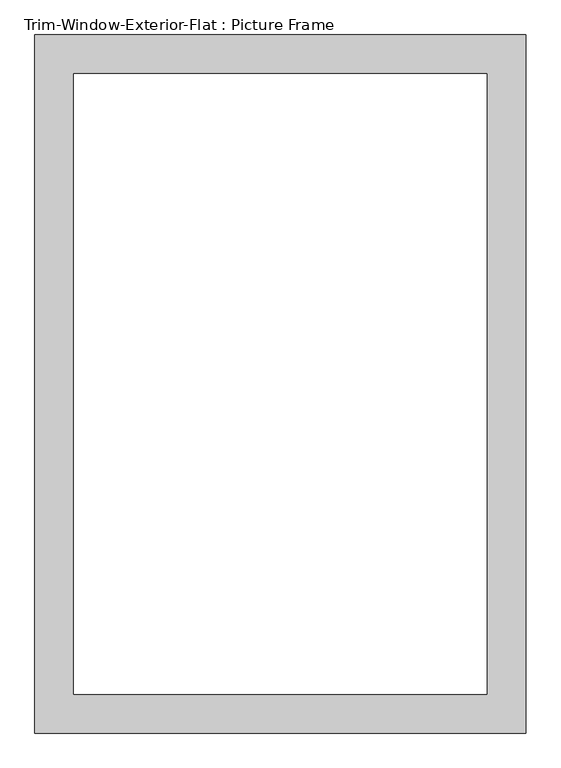
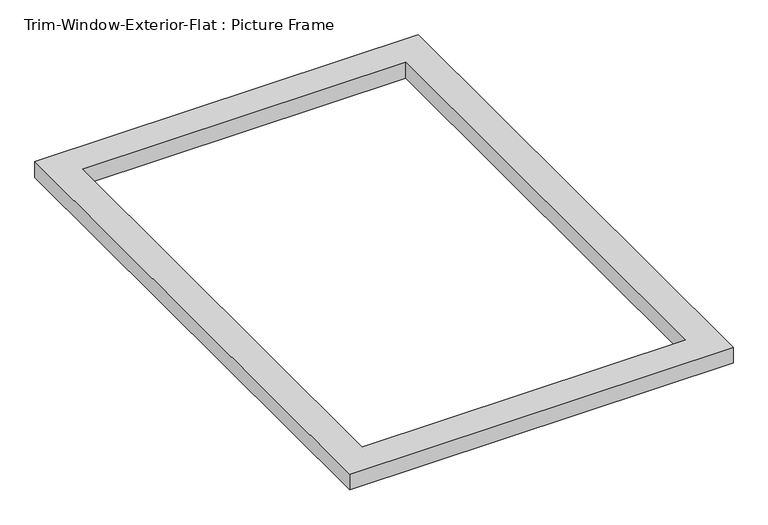
"""IFC4 building model written with IfcOpenShell, lengths in millimetres: proxy geometry, Trim-Window-Exterior-Flat : Picture Frame."""

import ifcopenshell
import ifcopenshell.guid

model = None  # the IFC model being written
_history = None  # IfcOwnerHistory: only IFC2X3 demands one
_inside = {}  # id of a spatial element -> (the spatial element, [elements in it])
_under = {}  # id of a project, library or spatial element -> (it, [spatial elements below it])
_declared = {}  # id of a project -> (the project, [libraries it declares])
_typed = {}  # id of a type object -> (the type object, [elements of that type])
_made_of = {}  # id of a material, layer set ... -> (it, [elements and type objects made of it])


def new_model(schema):
    """Start an empty IFC model of exactly this schema.

    Asked for "IFC4X3", IfcOpenShell would pick the latest addendum, in which some entities
    have other attributes; the version numbers below select the first issue.
    IFC2X3 requires an IfcOwnerHistory on every rooted entity: one is made here for all.
    """
    global model, _history
    if schema == "IFC4X3":
        model = ifcopenshell.file(schema_version=(4, 3, 0, 0))
    else:
        model = ifcopenshell.file(schema=schema)
    _inside.clear()
    _under.clear()
    _declared.clear()
    _typed.clear()
    _made_of.clear()
    _history = None
    if model.schema == "IFC2X3":
        org = make("IfcOrganization", Name="unknown")
        user = make(
            "IfcPersonAndOrganization",
            ThePerson=make("IfcPerson", FamilyName="unknown"),
            TheOrganization=org,
        )
        app = make(
            "IfcApplication",
            ApplicationDeveloper=org,
            Version="unknown",
            ApplicationFullName="unknown",
            ApplicationIdentifier="unknown",
        )
        _history = make(
            "IfcOwnerHistory",
            OwningUser=user,
            OwningApplication=app,
            ChangeAction="ADDED",
            CreationDate=0,
        )
    return model


def make(cls, **values):
    """One entity of the class cls with the attributes given. An attribute that is None is left unset."""
    return model.create_entity(
        cls, **{name: value for name, value in values.items() if value is not None}
    )


def rooted(cls, **values):
    """An entity with a GlobalId (a new one), such as an element, a storey or a relation."""
    return make(cls, GlobalId=ifcopenshell.guid.new(), OwnerHistory=_history, **values)


def si_unit(unit_type, name, prefix=None):
    """IfcSIUnit, for example si_unit("LENGTHUNIT", "METRE", prefix="MILLI")."""
    return make("IfcSIUnit", UnitType=unit_type, Prefix=prefix, Name=name)


def assignment(units):
    """IfcUnitAssignment: the units of a project."""
    return None if units is None else make("IfcUnitAssignment", Units=units)


def point(xyz):
    """IfcCartesianPoint."""
    return None if xyz is None else make("IfcCartesianPoint", Coordinates=xyz)


def direction(xyz):
    """IfcDirection."""
    return None if xyz is None else make("IfcDirection", DirectionRatios=xyz)


def frame(location, z_axis=None, x_axis=None):
    """IfcAxis2Placement3D, a coordinate frame: its origin and axes. An axis left out is left unset."""
    return make(
        "IfcAxis2Placement3D",
        Location=point(location),
        Axis=direction(z_axis),
        RefDirection=direction(x_axis),
    )


def origin():
    """The frame at (0, 0, 0) with its axes left unset."""
    return frame((0.0, 0.0, 0.0))


def origin_with_axes():
    """The frame at (0, 0, 0) with the z axis (0, 0, 1) and the x axis (1, 0, 0) written out."""
    return frame((0.0, 0.0, 0.0), z_axis=(0.0, 0.0, 1.0), x_axis=(1.0, 0.0, 0.0))


def place(relative_to, where):
    """IfcLocalPlacement: puts the frame where relative to a parent placement (None: the world)."""
    return make(
        "IfcLocalPlacement", PlacementRelTo=relative_to, RelativePlacement=where
    )


def context(
    kind, dimensions, precision=None, world=None, true_north=None, identifier=None
):
    """IfcGeometricRepresentationContext, for example the 3D "Model" context."""
    return make(
        "IfcGeometricRepresentationContext",
        ContextIdentifier=identifier,
        ContextType=kind,
        CoordinateSpaceDimension=dimensions,
        Precision=precision,
        WorldCoordinateSystem=world,
        TrueNorth=true_north,
    )


def project(units=None, contexts=None):
    """IfcProject with its units and contexts."""
    return rooted(
        "IfcProject",
        Name="project",
        RepresentationContexts=contexts,
        UnitsInContext=assignment(units),
    )


def spatial(cls, under=None, at=None, **own):
    """A site, building, storey or space (cls), placed at a placement, below another one or the project."""
    s = rooted(cls, ObjectPlacement=at, **own)
    if under is not None:
        _under.setdefault(under.id(), (under, []))[1].append(s)
    return s


def polyline(points):
    """IfcPolyline through the points."""
    return make("IfcPolyline", Points=[point(p) for p in points])


def outline(outer, holes=None, kind="AREA"):
    """IfcArbitraryClosedProfileDef: a profile drawn as a closed curve; with holes, ...WithVoids."""
    if holes is None:
        return make("IfcArbitraryClosedProfileDef", ProfileType=kind, OuterCurve=outer)
    return make(
        "IfcArbitraryProfileDefWithVoids",
        ProfileType=kind,
        OuterCurve=outer,
        InnerCurves=holes,
    )


def extrude(swept, where, along, depth):
    """IfcExtrudedAreaSolid: the profile swept, set in the frame where, extruded along a direction by depth."""
    return make(
        "IfcExtrudedAreaSolid",
        SweptArea=swept,
        Position=where,
        ExtrudedDirection=direction(along),
        Depth=depth,
    )


def shape(context_of_items, identifier, shape_type, items):
    """IfcShapeRepresentation: the items that make up one representation, for example the "Body"."""
    return make(
        "IfcShapeRepresentation",
        ContextOfItems=context_of_items,
        RepresentationIdentifier=identifier,
        RepresentationType=shape_type,
        Items=items,
    )


def source(mapping_origin, context_of_items, identifier, shape_type, items):
    """IfcRepresentationMap: a shape defined once, which mapped items show again and again."""
    return make(
        "IfcRepresentationMap",
        MappingOrigin=mapping_origin,
        MappedRepresentation=shape(context_of_items, identifier, shape_type, items),
    )


def transform(
    local_origin,
    x_axis=None,
    y_axis=None,
    z_axis=None,
    scale=None,
    scale2=None,
    scale3=None,
    uniform=True,
):
    """IfcCartesianTransformationOperator3D, or its non-uniform kind. x_axis, y_axis, z_axis: its Axis1, 2, 3."""
    if uniform:
        return make(
            "IfcCartesianTransformationOperator3D",
            Axis1=direction(x_axis),
            Axis2=direction(y_axis),
            LocalOrigin=point(local_origin),
            Scale=scale,
            Axis3=direction(z_axis),
        )
    return make(
        "IfcCartesianTransformationOperator3DnonUniform",
        Axis1=direction(x_axis),
        Axis2=direction(y_axis),
        LocalOrigin=point(local_origin),
        Scale=scale,
        Axis3=direction(z_axis),
        Scale2=scale2,
        Scale3=scale3,
    )


def mapped(mapping_source, mapping_target):
    """IfcMappedItem: shows the shape of a source again, moved by a transform."""
    return make(
        "IfcMappedItem", MappingSource=mapping_source, MappingTarget=mapping_target
    )


def made_of(thing, what):
    """Note that an element or type object is made of a material, layer set ...; save() writes the relation."""
    if what is not None:
        _made_of.setdefault(what.id(), (what, []))[1].append(thing)
    return thing


def element(
    cls,
    number,
    at=None,
    inside=None,
    cuts=None,
    type_object=None,
    material=None,
    context=None,
    identifier="Body",
    shape_type=None,
    held_by="IfcProductDefinitionShape",
    body=None,
    shapes=None,
    **own,
):
    """One element of the class cls, such as IfcWall. Its Tag is "e" and its number.

    at: its placement. inside: the storey or other place that contains it. cuts: it is an
    opening in that element (IfcRelVoidsElement). A single representation is given by context,
    identifier, shape_type and body (its items); several are given by shapes. held_by: the class
    of the entity that holds the representations. save() writes the other relations.
    """
    e = rooted(cls, Tag="e%d" % number, ObjectPlacement=at, **own)
    if body is not None:
        shapes = [shape(context, identifier, shape_type, body)]
    if shapes is not None:
        e.Representation = make(held_by, Representations=shapes)
    if inside is not None:
        _inside.setdefault(inside.id(), (inside, []))[1].append(e)
    if cuts is not None:
        rooted(
            "IfcRelVoidsElement", RelatingBuildingElement=cuts, RelatedOpeningElement=e
        )
    if type_object is not None:
        _typed.setdefault(type_object.id(), (type_object, []))[1].append(e)
    return made_of(e, material)


def aggregate(whole, parts):
    """IfcRelAggregates: a whole, such as a stair, and the parts it consists of."""
    return rooted("IfcRelAggregates", RelatingObject=whole, RelatedObjects=parts)


def save(model, path):
    """Write the relations noted so far, then the file.

    IfcRelAggregates (storeys below a building ...), IfcRelContainedInSpatialStructure (elements
    in a storey), IfcRelDefinesByType, IfcRelAssociatesMaterial and IfcRelDeclares: one each for
    every whole, place, type object, material and project.
    """
    for whole, parts in _under.values():
        aggregate(whole, parts)
    for where, things in _inside.values():
        rooted(
            "IfcRelContainedInSpatialStructure",
            RelatedElements=things,
            RelatingStructure=where,
        )
    for kind, things in _typed.values():
        rooted("IfcRelDefinesByType", RelatedObjects=things, RelatingType=kind)
    for what, things in _made_of.values():
        rooted("IfcRelAssociatesMaterial", RelatedObjects=things, RelatingMaterial=what)
    for by, libraries in _declared.values():
        rooted("IfcRelDeclares", RelatingContext=by, RelatedDefinitions=libraries)
    model.write(path)


def trim_window_exterior_flat_picture_frame_f3e57012(model_context):
    return source(origin(), model_context, "Body", "SweptSolid", [
        extrude(outline(polyline([(361.95, 57.15), (361.95, -971.55), (-361.95, -971.55), (-361.95, 57.15), (361.95, 57.15)]), holes=[polyline([(304.8, 0.0), (-304.8, 0.0), (-304.8, -914.4), (304.8, -914.4), (304.8, 0.0)])]), origin_with_axes(), (0.0, 0.0, 1.0), 31.75),
    ])


if __name__ == "__main__":
    model = new_model("IFC4")
    model_context = context("Model", 3, world=origin())
    ifc_project = project(units=[si_unit("LENGTHUNIT", "METRE", prefix="MILLI")], contexts=[model_context])
    site = spatial("IfcSite", under=ifc_project)
    building = spatial("IfcBuilding", under=site)
    placement = place(None, origin())
    trim_window_exterior_flat_picture_frame_shape = trim_window_exterior_flat_picture_frame_f3e57012(model_context)
    element("IfcBuildingElementProxy", 1, Name="Trim-Window-Exterior-Flat : Picture Frame", ObjectType="Trim-Window-Exterior-Flat : Picture Frame", at=placement, inside=building, context=model_context, shape_type="MappedRepresentation", body=[
        mapped(trim_window_exterior_flat_picture_frame_shape, transform((0.0, 0.0, 0.0), x_axis=(1.0, 0.0, 0.0), y_axis=(0.0, 1.0, 0.0), z_axis=(0.0, 0.0, 1.0))),
    ])
    save(model, "model.ifc")
